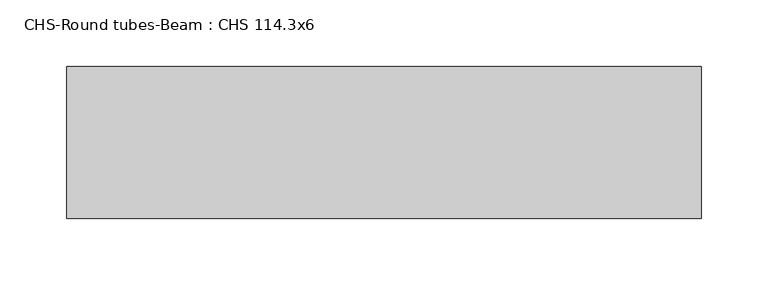
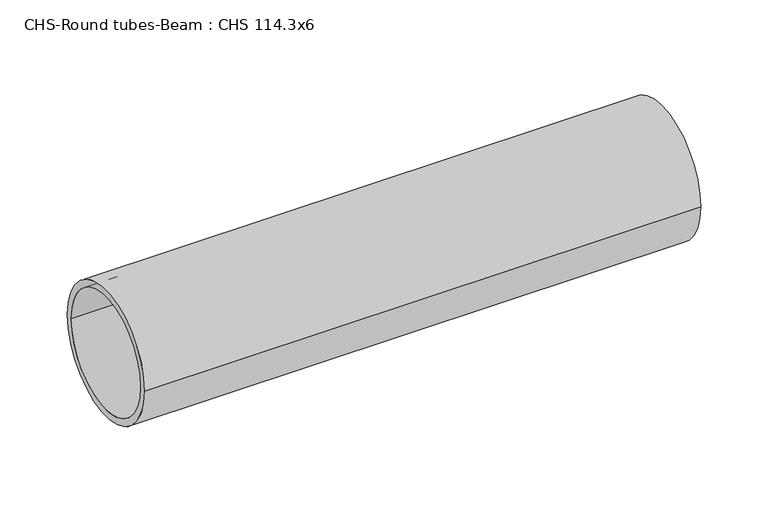
"""IFC4 building model written with IfcOpenShell, lengths in millimetres: beam geometry, CHS-Round tubes-Beam : CHS 114.3x6."""

from ifc_helpers import new_model, si_unit, point, frame, origin, origin_2d, place, context, project, spatial, circle_curve, trimmed, segment, composite_curve, outline, extrude, source, transform, mapped, element, save


def chs_round_tubes_beam_chs_114_3x6_133ea75c(model_context):
    return source(origin(), model_context, "Body", "SweptSolid", [
        extrude(outline(composite_curve([segment(trimmed(circle_curve(origin_2d(), 57.15), [point((57.15, 0.0))], [point((-57.15, 0.0))], False, "CARTESIAN"), True, "CONTINUOUS"), segment(trimmed(circle_curve(origin_2d(), 57.15), [point((-57.15, 0.0))], [point((57.15, 0.0))], False, "CARTESIAN"), True, "CONTINUOUS")], self_intersect=False), holes=[composite_curve([segment(trimmed(circle_curve(origin_2d(), 51.15), [point((51.15, 0.0))], [point((-51.15, 0.0))], True, "CARTESIAN"), True, "CONTINUOUS"), segment(trimmed(circle_curve(origin_2d(), 51.15), [point((-51.15, 0.0))], [point((51.15, 0.0))], True, "CARTESIAN"), True, "CONTINUOUS")], self_intersect=False)]), frame((74.8668575, 0.0, 0.0), z_axis=(1.0, 0.0, 0.0), x_axis=(0.0, 1.0, 0.0)), (0.0, 0.0, 1.0), 476.8620871),
    ])


if __name__ == "__main__":
    model = new_model("IFC4")
    model_context = context("Model", 3, world=origin())
    ifc_project = project(units=[si_unit("LENGTHUNIT", "METRE", prefix="MILLI")], contexts=[model_context])
    site = spatial("IfcSite", under=ifc_project)
    building = spatial("IfcBuilding", under=site)
    placement = place(None, origin())
    chs_round_tubes_beam_chs_114_3x6_shape = chs_round_tubes_beam_chs_114_3x6_133ea75c(model_context)
    element("IfcBeam", 1, ObjectType="CHS-Round tubes-Beam : CHS 114.3x6", at=placement, inside=building, context=model_context, shape_type="MappedRepresentation", body=[
        mapped(chs_round_tubes_beam_chs_114_3x6_shape, transform((0.0, 0.0, 0.0), x_axis=(1.0, 0.0, 0.0), y_axis=(0.0, 1.0, 0.0), z_axis=(0.0, 0.0, 1.0))),
    ])
    save(model, "model.ifc")
